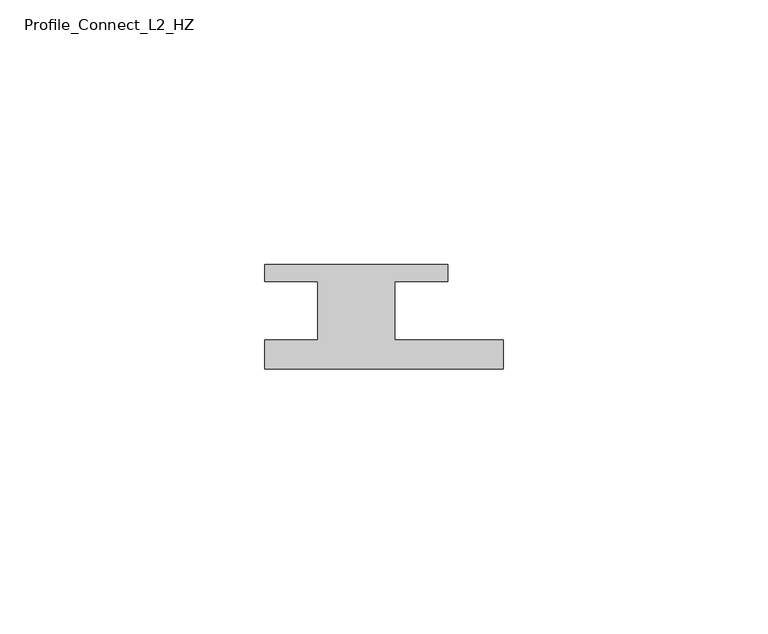
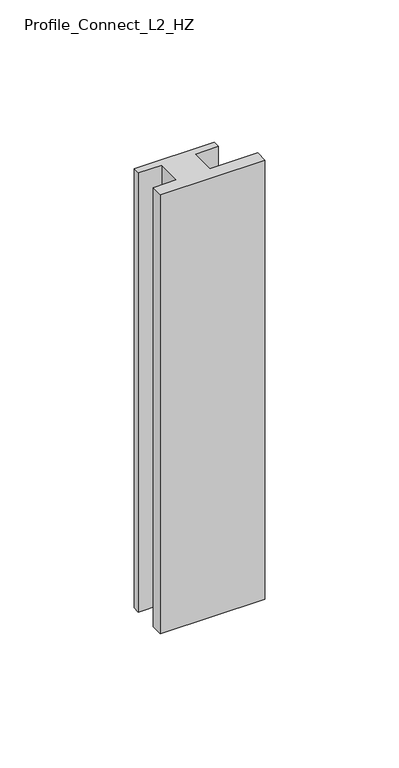
"""IFC4 building model written with IfcOpenShell, lengths in millimetres: member geometry, Profile_Connect_L2_HZ."""

from ifc_helpers import new_model, si_unit, frame, origin, place, context, project, spatial, polyline, outline, extrude, source, transform, mapped, element, save


def profile_connect_l2_hz_1ef3ad1c(model_context):
    return source(origin(), model_context, "Body", "SweptSolid", [
        extrude(outline(polyline([(26.6, -5.5), (26.6, -11.0), (-18.4, -11.0), (-18.4, -5.5), (-8.4, -5.5), (-8.4, 5.5), (-18.4, 5.5), (-18.4, 8.7), (16.1, 8.7), (16.1, 5.5), (6.1, 5.5), (6.1, -5.5), (26.6, -5.5)])), frame((0.0, 0.0, -200.0), z_axis=(0.0, 0.0, 1.0), x_axis=(1.0, 0.0, 0.0)), (0.0, 0.0, 1.0), 200.0),
    ])


if __name__ == "__main__":
    model = new_model("IFC4")
    model_context = context("Model", 3, world=origin())
    ifc_project = project(units=[si_unit("LENGTHUNIT", "METRE", prefix="MILLI")], contexts=[model_context])
    site = spatial("IfcSite", under=ifc_project)
    building = spatial("IfcBuilding", under=site)
    placement = place(None, origin())
    profile_connect_l2_hz_shape = profile_connect_l2_hz_1ef3ad1c(model_context)
    element("IfcMember", 1, ObjectType="Profile_Connect_L2_HZ", at=placement, inside=building, context=model_context, shape_type="MappedRepresentation", body=[
        mapped(profile_connect_l2_hz_shape, transform((0.0, 0.0, 0.0), x_axis=(1.0, 0.0, 0.0), y_axis=(0.0, 1.0, 0.0), z_axis=(0.0, 0.0, 1.0))),
    ])
    save(model, "model.ifc")
